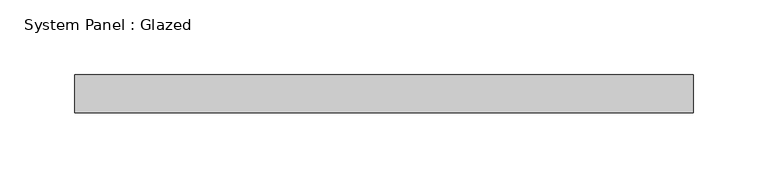
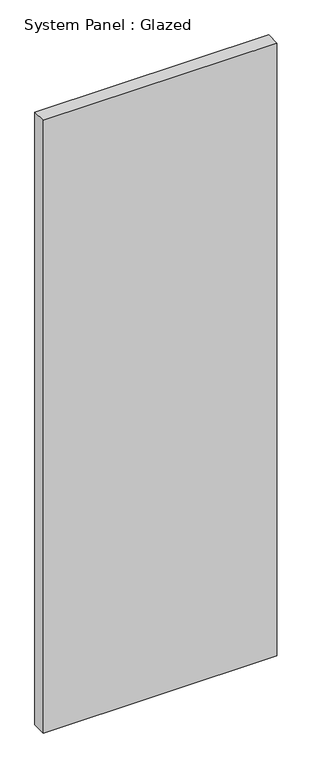
"""IFC4 building model written with IfcOpenShell, lengths in millimetres: plate geometry, System Panel : Glazed."""

from ifc_helpers import new_model, si_unit, origin, origin_with_axes, place, context, project, spatial, polyline, outline, extrude, source, transform, mapped, element, save


def system_panel_glazed_f3037dfd(model_context):
    return source(origin(), model_context, "Body", "SweptSolid", [
        extrude(outline(polyline([(207.1576618, -12.7), (-207.1576618, -12.7), (-207.1576618, 12.7), (207.1576618, 12.7), (207.1576618, -12.7)])), origin_with_axes(), (0.0, 0.0, 1.0), 1148.5626254),
    ])


if __name__ == "__main__":
    model = new_model("IFC4")
    model_context = context("Model", 3, world=origin())
    ifc_project = project(units=[si_unit("LENGTHUNIT", "METRE", prefix="MILLI")], contexts=[model_context])
    site = spatial("IfcSite", under=ifc_project)
    building = spatial("IfcBuilding", under=site)
    placement = place(None, origin())
    system_panel_glazed_shape = system_panel_glazed_f3037dfd(model_context)
    element("IfcPlate", 1, ObjectType="System Panel : Glazed", at=placement, inside=building, context=model_context, shape_type="MappedRepresentation", body=[
        mapped(system_panel_glazed_shape, transform((0.0, 0.0, 0.0), x_axis=(1.0, 0.0, 0.0), y_axis=(0.0, 1.0, 0.0), z_axis=(0.0, 0.0, 1.0))),
    ])
    save(model, "model.ifc")
